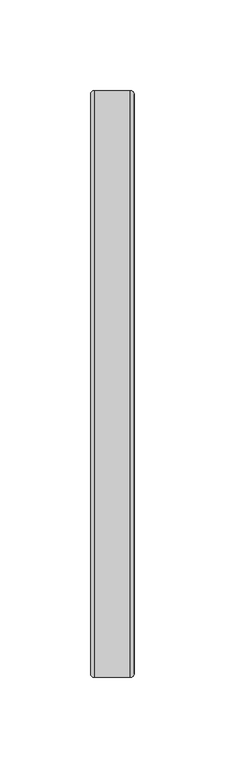
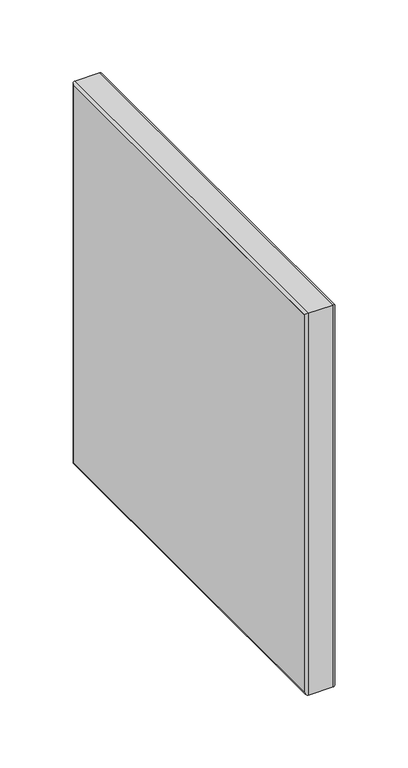
"""IFC4 building model written with IfcOpenShell, lengths in millimetres: furniture geometry."""

from ifc_helpers import new_model, si_unit, frame, origin, place, context, project, spatial, polyline, ellipse_curve, outline, extrude, source, transform, mapped, element, save
from ifc_brep_helpers import plane_surface, cylinder_surface, advanced_brep


def furniture_4613d233(model_context):
    return source(origin(), model_context, "Body", "SolidModel", [
        extrude(outline(polyline([(-0.7584239, 71.7997054), (-0.7584239, -248.0503934), (-24.765, -248.0503934), (-24.765, 71.7997054), (-0.7584239, 71.7997054)])), frame((0.0, 0.0, 737.207073), z_axis=(0.0, 0.0, 1.0), x_axis=(1.0, 0.0, 0.0)), (0.0, 0.0, 1.0), 319.0359768),
        advanced_brep(
        [(-0.7584239, 71.7997054, 1056.2430498), (-24.7649126, 71.7997054, 1056.2430498), (-24.7649126, 71.7997054, 737.207073), (-0.7584239, 71.7997054, 737.207073), (-24.7649126, -248.0503934, 737.207073), (-0.7584239, -248.0503934, 737.207073), (-24.7649126, -248.0503934, 1056.2430498), (-0.7584239, -248.0503934, 1056.2430498), (-22.7770434, 73.8063054, 1058.2496498), (-22.7770434, 73.8063054, 735.200473), (-22.7770434, -250.0569934, 735.200473), (-22.7770434, -250.0569934, 1058.2496498), (-2.7650239, 73.8063054, 1058.2496498), (-2.7650239, 73.8063054, 735.200473), (-2.7650239, -250.0569934, 735.200473), (-2.7650239, -250.0569934, 1058.2496498)],
        [
            (0, 1),
            (1, 2),
            (2, 3),
            (3, 0),
            (2, 4),
            (4, 5),
            (5, 3),
            (4, 6),
            (6, 7),
            (7, 5),
            (6, 1),
            (0, 7),
            (1, 8, ellipse_curve(frame((-22.7770434, 71.8183487, 1056.2616932), z_axis=(0.0, 0.7071067811865475, -0.7071067811865475), x_axis=(0.0, 0.7071067811865474, 0.7071067811865476)), 2.8113952, 1.9879566)),
            (8, 9),
            (9, 2, ellipse_curve(frame((-22.7770434, 71.8183487, 737.1884297), z_axis=(0.0, 0.7071067811865475, 0.7071067811865475), x_axis=(0.0, -0.7071067811865474, 0.7071067811865476)), 2.8113952, 1.9879566)),
            (9, 10),
            (10, 4, ellipse_curve(frame((-22.7770434, -248.0690368, 737.1884297), z_axis=(0.0, 0.7071067811865475, -0.7071067811865475), x_axis=(0.0, 0.7071067811865476, 0.7071067811865474)), 2.8113952, 1.9879566)),
            (10, 11),
            (11, 6, ellipse_curve(frame((-22.7770434, -248.0690368, 1056.2616932), z_axis=(0.0, -0.7071067811865475, -0.7071067811865475), x_axis=(0.0, 0.7071067811865474, -0.7071067811865476)), 2.8113952, 1.9879566)),
            (11, 8),
            (12, 0, ellipse_curve(frame((-2.7650239, 71.7997054, 1056.2430498), z_axis=(0.0, 0.7071067811865475, -0.7071067811865475), x_axis=(0.0, 0.7071067811865474, 0.7071067811865476)), 2.8377609, 2.0066)),
            (3, 13, ellipse_curve(frame((-2.7650239, 71.7997054, 737.207073), z_axis=(0.0, 0.7071067811865475, 0.7071067811865475), x_axis=(0.0, -0.7071067811865474, 0.7071067811865476)), 2.8377609, 2.0066)),
            (13, 12),
            (8, 12),
            (13, 9),
            (5, 14, ellipse_curve(frame((-2.7650239, -248.0503934, 737.207073), z_axis=(0.0, 0.7071067811865475, -0.7071067811865475), x_axis=(0.0, 0.7071067811865476, 0.7071067811865474)), 2.8377609, 2.0066)),
            (14, 13),
            (14, 10),
            (7, 15, ellipse_curve(frame((-2.7650239, -248.0503934, 1056.2430498), z_axis=(0.0, -0.7071067811865475, -0.7071067811865475), x_axis=(0.0, 0.7071067811865474, -0.7071067811865476)), 2.8377609, 2.0066)),
            (15, 14),
            (15, 11),
            (12, 15),
        ],
        [
            plane_surface(frame((-24.7649126, 71.7997054, 1056.2430498), z_axis=(0.0, -1.0, 0.0), x_axis=(0.0, 0.0, -1.0))),
            plane_surface(frame((-24.7649126, 71.7997054, 737.207073), z_axis=(0.0, 0.0, 1.0), x_axis=(0.0, -1.0, 0.0))),
            plane_surface(frame((-24.7649126, -248.0503934, 737.207073), z_axis=(0.0, 1.0, 0.0), x_axis=(0.0, 0.0, 1.0))),
            plane_surface(frame((-24.7649126, -248.0503934, 1056.2430498), z_axis=(0.0, 0.0, -1.0), x_axis=(0.0, 1.0, 0.0))),
            cylinder_surface(frame((-22.7770434, 71.8183487, 1056.2430498), z_axis=(0.0, 0.0, 1.0), x_axis=(0.0, 1.0, 0.0)), 1.9879566),
            cylinder_surface(frame((-22.7770434, 71.7997054, 737.1884297), z_axis=(0.0, 1.0, 0.0), x_axis=(0.0, 0.0, -1.0)), 1.9879566),
            cylinder_surface(frame((-22.7770434, -248.0690368, 737.207073), z_axis=(0.0, 0.0, -1.0), x_axis=(0.0, -1.0, 0.0)), 1.9879566),
            cylinder_surface(frame((-22.7770434, -248.0503934, 1056.2616932), z_axis=(0.0, -1.0, 0.0), x_axis=(0.0, 0.0, 1.0)), 1.9879566),
            cylinder_surface(frame((-2.7650239, 71.7997054, 1056.2430498), z_axis=(0.0, 0.0, 1.0), x_axis=(0.0, 1.0, 0.0)), 2.0066),
            plane_surface(frame((-2.7650239, 73.8063054, 1058.2496498), z_axis=(0.0, 1.0, 0.0), x_axis=(0.0, 0.0, -1.0))),
            cylinder_surface(frame((-2.7650239, 71.7997054, 737.207073), z_axis=(0.0, 1.0, 0.0), x_axis=(0.0, 0.0, -1.0)), 2.0066),
            plane_surface(frame((-2.7650239, 73.8063054, 735.200473), z_axis=(0.0, 0.0, -1.0), x_axis=(0.0, -1.0, 0.0))),
            cylinder_surface(frame((-2.7650239, -248.0503934, 737.207073), z_axis=(0.0, 0.0, -1.0), x_axis=(0.0, -1.0, 0.0)), 2.0066),
            plane_surface(frame((-2.7650239, -250.0569934, 735.200473), z_axis=(0.0, -1.0, 0.0), x_axis=(0.0, 0.0, 1.0))),
            cylinder_surface(frame((-2.7650239, -248.0503934, 1056.2430498), z_axis=(0.0, -1.0, 0.0), x_axis=(0.0, 0.0, 1.0)), 2.0066),
            plane_surface(frame((-2.7650239, -250.0569934, 1058.2496498), z_axis=(0.0, 0.0, 1.0), x_axis=(0.0, 1.0, 0.0))),
        ],
        [
            (0, [[1, 2, 3, 4]]),
            (1, [[-3, 5, 6, 7]]),
            (2, [[-6, 8, 9, 10]]),
            (3, [[-9, 11, -1, 12]]),
            (4, [[13, 14, 15, -2]]),
            (5, [[-15, 16, 17, -5]]),
            (6, [[-17, 18, 19, -8]]),
            (7, [[-19, 20, -13, -11]]),
            (8, [[21, -4, 22, 23]]),
            (9, [[24, -23, 25, -14]]),
            (10, [[-22, -7, 26, 27]]),
            (11, [[-25, -27, 28, -16]]),
            (12, [[-26, -10, 29, 30]]),
            (13, [[-28, -30, 31, -18]]),
            (14, [[-29, -12, -21, 32]]),
            (15, [[-31, -32, -24, -20]]),
        ],
    ),
    ])


if __name__ == "__main__":
    model = new_model("IFC4")
    model_context = context("Model", 3, world=origin())
    ifc_project = project(units=[si_unit("LENGTHUNIT", "METRE", prefix="MILLI")], contexts=[model_context])
    site = spatial("IfcSite", under=ifc_project)
    building = spatial("IfcBuilding", under=site)
    placement = place(None, origin())
    furniture_shape = furniture_4613d233(model_context)
    element("IfcFurniture", 1, at=placement, inside=building, context=model_context, shape_type="MappedRepresentation", body=[
        mapped(furniture_shape, transform((0.0, 0.0, 0.0), x_axis=(1.0, 0.0, 0.0), y_axis=(0.0, 1.0, 0.0), z_axis=(0.0, 0.0, 1.0))),
    ])
    save(model, "model.ifc")
